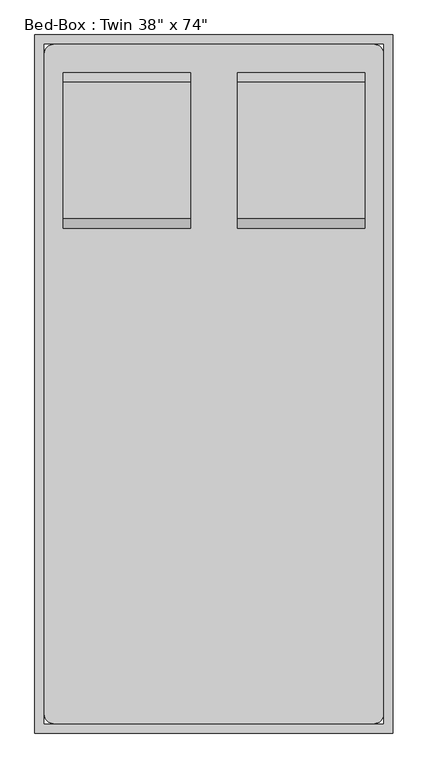
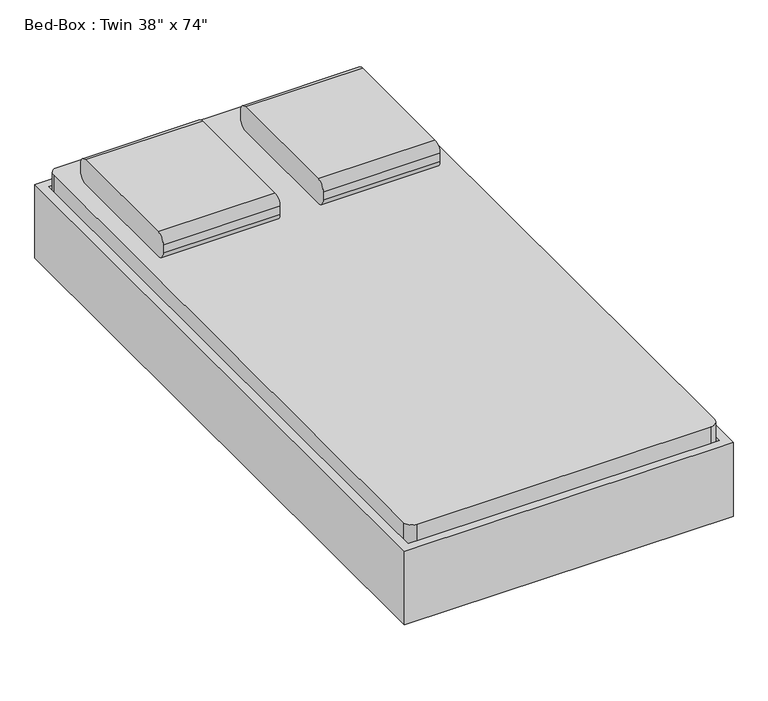
"""IFC4 building model written with IfcOpenShell, lengths in millimetres: furniture geometry."""

from ifc_helpers import new_model, si_unit, point, frame, frame_2d, origin, place, context, project, spatial, polyline, circle_curve, trimmed, segment, composite_curve, outline, extrude, source, transform, mapped, element, save
from ifc_brep_helpers import plane_surface, cylinder_surface, revolved_surface, advanced_brep


def furniture_1763c662(model_context):
    return source(origin(), model_context, "Body", "SolidModel", [
        extrude(outline(composite_curve([segment(polyline([(578.3704918, 406.4), (210.0704918, 406.4)]), True, "CONTINUOUS"), segment(trimmed(circle_curve(frame_2d((210.0704918, 431.8)), 25.4), [point((210.0704918, 406.4))], [point((184.6704918, 431.8))], False, "CARTESIAN"), True, "CONTINUOUS"), segment(polyline([(184.6704918, 431.8), (184.6704918, 457.2)]), True, "CONTINUOUS"), segment(trimmed(circle_curve(frame_2d((210.0704918, 457.2)), 25.4), [point((184.6704918, 457.2))], [point((210.0704918, 482.6))], False, "CARTESIAN"), True, "CONTINUOUS"), segment(polyline([(210.0704918, 482.6), (578.3704918, 482.6)]), True, "CONTINUOUS"), segment(trimmed(circle_curve(frame_2d((578.3704918, 457.2)), 25.4), [point((578.3704918, 482.6))], [point((603.7704918, 457.2))], False, "CARTESIAN"), True, "CONTINUOUS"), segment(polyline([(603.7704918, 457.2), (603.7704918, 431.8)]), True, "CONTINUOUS"), segment(trimmed(circle_curve(frame_2d((578.3704918, 431.8)), 25.4), [point((603.7704918, 431.8))], [point((578.3704918, 406.4))], False, "CARTESIAN"), True, "CONTINUOUS")], self_intersect=False)), frame((402.652459, 0.0, 0.0), z_axis=(1.0, 0.0, 0.0), x_axis=(0.0, 1.0, 0.0)), (0.0, 0.0, 1.0), 342.9),
        extrude(outline(composite_curve([segment(polyline([(578.3704918, 406.4), (210.0704918, 406.4)]), True, "CONTINUOUS"), segment(trimmed(circle_curve(frame_2d((210.0704918, 431.8)), 25.4), [point((210.0704918, 406.4))], [point((184.6704918, 431.8))], False, "CARTESIAN"), True, "CONTINUOUS"), segment(polyline([(184.6704918, 431.8), (184.6704918, 457.2)]), True, "CONTINUOUS"), segment(trimmed(circle_curve(frame_2d((210.0704918, 457.2)), 25.4), [point((184.6704918, 457.2))], [point((210.0704918, 482.6))], False, "CARTESIAN"), True, "CONTINUOUS"), segment(polyline([(210.0704918, 482.6), (578.3704918, 482.6)]), True, "CONTINUOUS"), segment(trimmed(circle_curve(frame_2d((578.3704918, 457.2)), 25.4), [point((578.3704918, 482.6))], [point((603.7704918, 457.2))], False, "CARTESIAN"), True, "CONTINUOUS"), segment(polyline([(603.7704918, 457.2), (603.7704918, 431.8)]), True, "CONTINUOUS"), segment(trimmed(circle_curve(frame_2d((578.3704918, 431.8)), 25.4), [point((603.7704918, 431.8))], [point((578.3704918, 406.4))], False, "CARTESIAN"), True, "CONTINUOUS")], self_intersect=False)), frame((-67.247541, 0.0, 0.0), z_axis=(1.0, 0.0, 0.0), x_axis=(0.0, 1.0, 0.0)), (0.0, 0.0, 1.0), 342.9),
        advanced_brep(
        [(-117.7231784, 451.3704918, 177.8), (-117.7231784, 375.1704918, 177.8), (-117.7231784, 375.1704918, 196.85), (-117.7231784, 451.3704918, 196.85), (-66.9231784, 451.3704918, 177.8), (-66.9231784, 375.1704918, 177.8), (-54.7869899, 375.1704918, 196.85), (-54.7869899, 451.3704918, 196.85), (9.1476901, 451.3704918, 14.6654962), (9.1476901, 375.1704918, 14.6654962), (26.4128534, 375.1704918, 22.716374), (26.4128534, 451.3704918, 22.716374), (32.1679079, 375.1704918, 0.0), (32.1679079, 451.3704918, 0.0), (32.1679079, 375.1704918, 19.05), (32.1679079, 451.3704918, 19.05), (110.7804138, 451.3704918, 0.0), (110.7804138, 375.1704918, 0.0), (110.7804138, 375.1704918, 19.05), (110.7804138, 451.3704918, 19.05), (123.4804138, 375.1704918, 3.4029547), (123.4804138, 451.3704918, 3.4029547), (113.9554138, 375.1704918, 19.9007387), (113.9554138, 451.3704918, 19.9007387), (183.577459, 451.3704918, 38.1), (183.577459, 375.1704918, 38.1), (178.4730269, 375.1704918, 57.15), (178.4730269, 451.3704918, 57.15), (495.0518216, 451.3704918, 38.1), (495.0518216, 375.1704918, 38.1), (500.1562537, 375.1704918, 57.15), (500.1562537, 451.3704918, 57.15), (555.1488669, 451.3704918, 3.4029547), (555.1488669, 375.1704918, 3.4029547), (564.6738669, 375.1704918, 19.9007387), (564.6738669, 451.3704918, 19.9007387), (567.8488669, 375.1704918, 0.0), (567.8488669, 451.3704918, 0.0), (567.8488669, 375.1704918, 19.05), (567.8488669, 451.3704918, 19.05), (646.4613728, 451.3704918, 0.0), (646.4613728, 375.1704918, 0.0), (646.4613728, 375.1704918, 19.05), (646.4613728, 451.3704918, 19.05), (669.4815906, 375.1704918, 14.6654962), (669.4815906, 451.3704918, 14.6654962), (652.2164272, 375.1704918, 22.716374), (652.2164272, 451.3704918, 22.716374), (745.552459, 451.3704918, 177.8), (745.552459, 375.1704918, 177.8), (733.4162705, 375.1704918, 196.85), (733.4162705, 451.3704918, 196.85), (796.352459, 451.3704918, 177.8), (796.352459, 451.3704918, 196.85), (796.352459, 375.1704918, 196.85), (796.352459, 375.1704918, 177.8)],
        [
            (0, 1),
            (1, 2),
            (2, 3),
            (3, 0),
            (0, 4),
            (4, 5),
            (5, 1),
            (5, 6),
            (6, 2),
            (6, 7),
            (7, 3),
            (7, 4),
            (4, 8),
            (8, 9),
            (9, 5),
            (9, 10),
            (10, 6),
            (10, 11),
            (11, 7),
            (11, 8),
            (12, 9, circle_curve(frame((32.1679079, 375.1704918, 25.4), z_axis=(0.0, 1.0, 0.0), x_axis=(-0.9063077870366486, 0.0, -0.42261826174070233)), 25.4)),
            (8, 13, circle_curve(frame((32.1679079, 451.3704918, 25.4), z_axis=(0.0, -1.0, 0.0), x_axis=(-0.9063077870366486, 0.0, -0.42261826174070233)), 25.4)),
            (13, 12),
            (14, 10, circle_curve(frame((32.1679079, 375.1704918, 25.4), z_axis=(0.0, 1.0, 0.0), x_axis=(-0.9063077870366486, 0.0, -0.42261826174070233)), 6.35)),
            (12, 14),
            (15, 11, circle_curve(frame((32.1679079, 451.3704918, 25.4), z_axis=(0.0, 1.0, 0.0), x_axis=(-0.9063077870366486, 0.0, -0.42261826174070233)), 6.35)),
            (14, 15),
            (15, 13),
            (13, 16),
            (16, 17),
            (17, 12),
            (17, 18),
            (18, 14),
            (18, 19),
            (19, 15),
            (19, 16),
            (20, 17, circle_curve(frame((110.7804138, 375.1704918, 25.4), z_axis=(0.0, 1.0, 0.0), x_axis=(0.0, 0.0, -1.0)), 25.4)),
            (16, 21, circle_curve(frame((110.7804138, 451.3704918, 25.4), z_axis=(0.0, -1.0, 0.0), x_axis=(0.0, 0.0, -1.0)), 25.4)),
            (21, 20),
            (22, 18, circle_curve(frame((110.7804138, 375.1704918, 25.4), z_axis=(0.0, 1.0, 0.0), x_axis=(0.0, 0.0, -1.0)), 6.35)),
            (20, 22),
            (23, 19, circle_curve(frame((110.7804138, 451.3704918, 25.4), z_axis=(0.0, 1.0, 0.0), x_axis=(0.0, 0.0, -1.0)), 6.35)),
            (22, 23),
            (23, 21),
            (21, 24),
            (24, 25),
            (25, 20),
            (25, 26),
            (26, 22),
            (26, 27),
            (27, 23),
            (27, 24),
            (24, 28),
            (28, 29),
            (29, 25),
            (29, 30),
            (30, 26),
            (30, 31),
            (31, 27),
            (31, 28),
            (28, 32),
            (32, 33),
            (33, 29),
            (33, 34),
            (34, 30),
            (34, 35),
            (35, 31),
            (35, 32),
            (36, 33, circle_curve(frame((567.8488669, 375.1704918, 25.4), z_axis=(0.0, 1.0, 0.0), x_axis=(-0.5000000000000463, 0.0, -0.8660254037844118)), 25.4)),
            (32, 37, circle_curve(frame((567.8488669, 451.3704918, 25.4), z_axis=(0.0, -1.0, 0.0), x_axis=(-0.5000000000000463, 0.0, -0.8660254037844118)), 25.4)),
            (37, 36),
            (38, 34, circle_curve(frame((567.8488669, 375.1704918, 25.4), z_axis=(0.0, 1.0, 0.0), x_axis=(-0.5000000000000463, 0.0, -0.8660254037844118)), 6.35)),
            (36, 38),
            (39, 35, circle_curve(frame((567.8488669, 451.3704918, 25.4), z_axis=(0.0, 1.0, 0.0), x_axis=(-0.5000000000000463, 0.0, -0.8660254037844118)), 6.35)),
            (38, 39),
            (39, 37),
            (37, 40),
            (40, 41),
            (41, 36),
            (41, 42),
            (42, 38),
            (42, 43),
            (43, 39),
            (43, 40),
            (44, 41, circle_curve(frame((646.4613728, 375.1704918, 25.4), z_axis=(0.0, 1.0, 0.0), x_axis=(0.0, 0.0, -1.0)), 25.4)),
            (40, 45, circle_curve(frame((646.4613728, 451.3704918, 25.4), z_axis=(0.0, -1.0, 0.0), x_axis=(0.0, 0.0, -1.0)), 25.4)),
            (45, 44),
            (46, 42, circle_curve(frame((646.4613728, 375.1704918, 25.4), z_axis=(0.0, 1.0, 0.0), x_axis=(0.0, 0.0, -1.0)), 6.35)),
            (44, 46),
            (47, 43, circle_curve(frame((646.4613728, 451.3704918, 25.4), z_axis=(0.0, 1.0, 0.0), x_axis=(0.0, 0.0, -1.0)), 6.35)),
            (46, 47),
            (47, 45),
            (45, 48),
            (48, 49),
            (49, 44),
            (49, 50),
            (50, 46),
            (50, 51),
            (51, 47),
            (51, 48),
            (52, 53),
            (53, 54),
            (54, 55),
            (55, 52),
            (48, 52),
            (55, 49),
            (54, 50),
            (53, 51),
        ],
        [
            plane_surface(frame((-117.7231784, 705.3704918, -152.9490627), z_axis=(-1.0, 0.0, 0.0), x_axis=(0.0, 1.0, 0.0))),
            plane_surface(frame((-117.7231784, 451.3704918, 177.8), z_axis=(0.0, 0.0, -1.0), x_axis=(1.0, 0.0, 0.0))),
            plane_surface(frame((-117.7231784, 375.1704918, 177.8), z_axis=(0.0, -1.0, 0.0), x_axis=(1.0, 0.0, 0.0))),
            plane_surface(frame((-117.7231784, 375.1704918, 196.85), z_axis=(0.0, 0.0, 1.0), x_axis=(1.0, 0.0, 0.0))),
            plane_surface(frame((-117.7231784, 451.3704918, 196.85), z_axis=(0.0, 1.0, 0.0), x_axis=(1.0, 0.0, 0.0))),
            plane_surface(frame((-66.9231784, 451.3704918, 177.8), z_axis=(-0.9063077870366484, 0.0, -0.4226182617407028), x_axis=(0.4226182617407028, 0.0, -0.9063077870366484))),
            plane_surface(frame((-66.9231784, 375.1704918, 177.8), z_axis=(0.0, -1.0, 0.0), x_axis=(0.4226182617407025, 0.0, -0.9063077870366486))),
            plane_surface(frame((-54.7869899, 375.1704918, 196.85), z_axis=(0.9063077870366486, 0.0, 0.42261826174070244), x_axis=(0.42261826174070244, 0.0, -0.9063077870366486))),
            plane_surface(frame((-54.7869899, 451.3704918, 196.85), z_axis=(0.0, 1.0, 0.0), x_axis=(0.4226182617407027, 0.0, -0.9063077870366485))),
            cylinder_surface(frame((32.1679079, 705.3704918, 25.4), z_axis=(0.0, -1.0, 0.0), x_axis=(-0.9063077870366486, 0.0, -0.42261826174070233)), 25.4),
            plane_surface(frame((32.1679079, 375.1704918, 25.4), z_axis=(0.0, -1.0, 0.0), x_axis=(-0.9063077870366486, 0.0, -0.42261826174070233))),
            revolved_surface(polyline([(26.412853452317286, 375.1704918, 22.71637403794654), (26.412853452317286, 451.3704918, 22.71637403794654)]), (32.1679079, 705.3704918, 25.4), (0.0, -1.0, 0.0)),
            plane_surface(frame((32.1679079, 451.3704918, 25.4), z_axis=(0.0, 1.0, 0.0), x_axis=(-0.9063077870366486, 0.0, -0.42261826174070233))),
            plane_surface(frame((32.1679079, 451.3704918, 0.0), z_axis=(0.0, 0.0, -1.0), x_axis=(1.0, 0.0, 0.0))),
            plane_surface(frame((32.1679079, 375.1704918, 0.0), z_axis=(0.0, -1.0, 0.0), x_axis=(1.0, 0.0, 0.0))),
            plane_surface(frame((32.1679079, 375.1704918, 19.05), z_axis=(0.0, 0.0, 1.0), x_axis=(1.0, 0.0, 0.0))),
            plane_surface(frame((32.1679079, 451.3704918, 19.05), z_axis=(0.0, 1.0, 0.0), x_axis=(1.0, 0.0, 0.0))),
            cylinder_surface(frame((110.7804138, 705.3704918, 25.4), z_axis=(0.0, -1.0, 0.0), x_axis=(0.0, 0.0, -1.0)), 25.4),
            plane_surface(frame((110.7804138, 375.1704918, 25.4), z_axis=(0.0, -1.0, 0.0), x_axis=(0.0, 0.0, -1.0))),
            revolved_surface(polyline([(110.7804138, 375.1704918, 19.049999999999997), (110.7804138, 451.3704918, 19.049999999999997)]), (110.7804138, 705.3704918, 25.4), (0.0, -1.0, 0.0)),
            plane_surface(frame((110.7804138, 451.3704918, 25.4), z_axis=(0.0, 1.0, 0.0), x_axis=(0.0, 0.0, -1.0))),
            plane_surface(frame((123.4804138, 451.3704918, 3.4029547), z_axis=(0.499999999999877, 0.0, -0.8660254037845097), x_axis=(0.8660254037845097, 0.0, 0.499999999999877))),
            plane_surface(frame((123.4804138, 375.1704918, 3.4029547), z_axis=(0.0, -1.0, 0.0), x_axis=(0.8660254037845091, 0.0, 0.49999999999987804))),
            plane_surface(frame((113.9554138, 375.1704918, 19.9007387), z_axis=(-0.49999999999987765, 0.0, 0.8660254037845093), x_axis=(0.8660254037845093, 0.0, 0.49999999999987765))),
            plane_surface(frame((113.9554138, 451.3704918, 19.9007387), z_axis=(0.0, 1.0, 0.0), x_axis=(0.8660254037845094, 0.0, 0.49999999999987754))),
            plane_surface(frame((183.577459, 451.3704918, 38.1), z_axis=(0.0, 0.0, -1.0), x_axis=(1.0, 0.0, 0.0))),
            plane_surface(frame((183.577459, 375.1704918, 38.1), z_axis=(0.0, -1.0, 0.0), x_axis=(1.0, 0.0, 0.0))),
            plane_surface(frame((178.4730269, 375.1704918, 57.15), z_axis=(0.0, 0.0, 1.0), x_axis=(1.0, 0.0, 0.0))),
            plane_surface(frame((178.4730269, 451.3704918, 57.15), z_axis=(0.0, 1.0, 0.0), x_axis=(1.0, 0.0, 0.0))),
            plane_surface(frame((495.0518216, 451.3704918, 38.1), z_axis=(-0.5000000000000453, 0.0, -0.8660254037844125), x_axis=(0.8660254037844125, 0.0, -0.5000000000000453))),
            plane_surface(frame((495.0518216, 375.1704918, 38.1), z_axis=(0.0, -1.0000000000000002, 0.0), x_axis=(0.8660254037844123, 0.0, -0.5000000000000459))),
            plane_surface(frame((500.1562537, 375.1704918, 57.15), z_axis=(0.5000000000000461, 0.0, 0.8660254037844121), x_axis=(0.8660254037844121, 0.0, -0.5000000000000461))),
            plane_surface(frame((500.1562537, 451.3704918, 57.15), z_axis=(0.0, 1.0, 0.0), x_axis=(0.8660254037844124, 0.0, -0.5000000000000456))),
            cylinder_surface(frame((567.8488669, 705.3704918, 25.4), z_axis=(0.0, -1.0, 0.0), x_axis=(-0.5000000000000463, 0.0, -0.8660254037844118)), 25.4),
            plane_surface(frame((567.8488669, 375.1704918, 25.4), z_axis=(0.0, -1.0000000000000002, 0.0), x_axis=(-0.5000000000000464, 0.0, -0.866025403784412))),
            revolved_surface(polyline([(564.6738668999997, 375.1704918, 19.90073868596898), (564.6738668999997, 451.3704918, 19.90073868596898)]), (567.8488669, 705.3704918, 25.4), (0.0, -1.0, 0.0)),
            plane_surface(frame((567.8488669, 451.3704918, 25.4), z_axis=(0.0, 1.0000000000000002, 0.0), x_axis=(-0.5000000000000464, 0.0, -0.866025403784412))),
            plane_surface(frame((567.8488669, 451.3704918, 0.0), z_axis=(0.0, 0.0, -1.0), x_axis=(1.0, 0.0, 0.0))),
            plane_surface(frame((567.8488669, 375.1704918, 0.0), z_axis=(0.0, -1.0, 0.0), x_axis=(1.0, 0.0, 0.0))),
            plane_surface(frame((567.8488669, 375.1704918, 19.05), z_axis=(0.0, 0.0, 1.0), x_axis=(1.0, 0.0, 0.0))),
            plane_surface(frame((567.8488669, 451.3704918, 19.05), z_axis=(0.0, 1.0, 0.0), x_axis=(1.0, 0.0, 0.0))),
            cylinder_surface(frame((646.4613728, 705.3704918, 25.4), z_axis=(0.0, -1.0, 0.0), x_axis=(0.0, 0.0, -1.0)), 25.4),
            plane_surface(frame((646.4613728, 375.1704918, 25.4), z_axis=(0.0, -1.0, 0.0), x_axis=(0.0, 0.0, -1.0))),
            revolved_surface(polyline([(646.4613728, 375.1704918, 19.049999999999997), (646.4613728, 451.3704918, 19.049999999999997)]), (646.4613728, 705.3704918, 25.4), (0.0, -1.0, 0.0)),
            plane_surface(frame((646.4613728, 451.3704918, 25.4), z_axis=(0.0, 1.0, 0.0), x_axis=(0.0, 0.0, -1.0))),
            plane_surface(frame((669.4815906, 451.3704918, 14.6654962), z_axis=(0.9063077870366798, 0.0, -0.42261826174063544), x_axis=(0.42261826174063544, 0.0, 0.9063077870366798))),
            plane_surface(frame((669.4815906, 375.1704918, 14.6654962), z_axis=(0.0, -1.0, 0.0), x_axis=(0.4226182617406352, 0.0, 0.9063077870366799))),
            plane_surface(frame((652.2164272, 375.1704918, 22.716374), z_axis=(-0.9063077870366797, 0.0, 0.4226182617406357), x_axis=(0.4226182617406357, 0.0, 0.9063077870366797))),
            plane_surface(frame((652.2164272, 451.3704918, 22.716374), z_axis=(0.0, 1.0, 0.0), x_axis=(0.42261826174063644, 0.0, 0.9063077870366794))),
            plane_surface(frame((796.352459, 705.3704918, -152.9490627), z_axis=(1.0, 0.0, 0.0), x_axis=(0.0, 1.0, 0.0))),
            plane_surface(frame((745.552459, 451.3704918, 177.8), z_axis=(0.0, 0.0, -1.0), x_axis=(1.0, 0.0, 0.0))),
            plane_surface(frame((745.552459, 375.1704918, 177.8), z_axis=(0.0, -1.0, 0.0), x_axis=(1.0, 0.0, 0.0))),
            plane_surface(frame((733.4162705, 375.1704918, 196.85), z_axis=(0.0, 0.0, 1.0), x_axis=(1.0, 0.0, 0.0))),
            plane_surface(frame((733.4162705, 451.3704918, 196.85), z_axis=(0.0, 1.0, 0.0), x_axis=(1.0, 0.0, 0.0))),
        ],
        [
            (0, [[1, 2, 3, 4]]),
            (1, [[-1, 5, 6, 7]]),
            (2, [[-2, -7, 8, 9]]),
            (3, [[-3, -9, 10, 11]]),
            (4, [[-4, -11, 12, -5]]),
            (5, [[-6, 13, 14, 15]]),
            (6, [[-8, -15, 16, 17]]),
            (7, [[-10, -17, 18, 19]]),
            (8, [[-12, -19, 20, -13]]),
            (9, [[21, -14, 22, 23]]),
            (10, [[24, -16, -21, 25]]),
            (11, [[26, -18, -24, 27]]),
            (12, [[-22, -20, -26, 28]]),
            (13, [[-23, 29, 30, 31]]),
            (14, [[-25, -31, 32, 33]]),
            (15, [[-27, -33, 34, 35]]),
            (16, [[-28, -35, 36, -29]]),
            (17, [[37, -30, 38, 39]]),
            (18, [[40, -32, -37, 41]]),
            (19, [[42, -34, -40, 43]]),
            (20, [[-38, -36, -42, 44]]),
            (21, [[-39, 45, 46, 47]]),
            (22, [[-41, -47, 48, 49]]),
            (23, [[-43, -49, 50, 51]]),
            (24, [[-44, -51, 52, -45]]),
            (25, [[-46, 53, 54, 55]]),
            (26, [[-48, -55, 56, 57]]),
            (27, [[-50, -57, 58, 59]]),
            (28, [[-52, -59, 60, -53]]),
            (29, [[-54, 61, 62, 63]]),
            (30, [[-56, -63, 64, 65]]),
            (31, [[-58, -65, 66, 67]]),
            (32, [[-60, -67, 68, -61]]),
            (33, [[69, -62, 70, 71]]),
            (34, [[72, -64, -69, 73]]),
            (35, [[74, -66, -72, 75]]),
            (36, [[-70, -68, -74, 76]]),
            (37, [[-71, 77, 78, 79]]),
            (38, [[-73, -79, 80, 81]]),
            (39, [[-75, -81, 82, 83]]),
            (40, [[-76, -83, 84, -77]]),
            (41, [[85, -78, 86, 87]]),
            (42, [[88, -80, -85, 89]]),
            (43, [[90, -82, -88, 91]]),
            (44, [[-86, -84, -90, 92]]),
            (45, [[-87, 93, 94, 95]]),
            (46, [[-89, -95, 96, 97]]),
            (47, [[-91, -97, 98, 99]]),
            (48, [[-92, -99, 100, -93]]),
            (49, [[101, 102, 103, 104]]),
            (50, [[-94, 105, -104, 106]]),
            (51, [[-96, -106, -103, 107]]),
            (52, [[-98, -107, -102, 108]]),
            (53, [[-100, -108, -101, -105]]),
        ],
    ),
        extrude(outline(composite_curve([segment(polyline([(-92.647541, 679.9704918), (770.952459, 679.9704918)]), True, "CONTINUOUS"), segment(trimmed(circle_curve(frame_2d((770.952459, 654.5704918)), 25.4), [point((770.952459, 679.9704918))], [point((796.352459, 654.5704918))], False, "CARTESIAN"), True, "CONTINUOUS"), segment(polyline([(796.352459, 654.5704918), (796.352459, -1123.4295082)]), True, "CONTINUOUS"), segment(trimmed(circle_curve(frame_2d((770.952459, -1123.4295082)), 25.4), [point((796.352459, -1123.4295082))], [point((770.952459, -1148.8295082))], False, "CARTESIAN"), True, "CONTINUOUS"), segment(polyline([(770.952459, -1148.8295082), (-92.647541, -1148.8295082)]), True, "CONTINUOUS"), segment(trimmed(circle_curve(frame_2d((-92.647541, -1123.4295082)), 25.4), [point((-92.647541, -1148.8295082))], [point((-118.047541, -1123.4295082))], False, "CARTESIAN"), True, "CONTINUOUS"), segment(polyline([(-118.047541, -1123.4295082), (-118.047541, 654.5704918)]), True, "CONTINUOUS"), segment(trimmed(circle_curve(frame_2d((-92.647541, 654.5704918)), 25.4), [point((-118.047541, 654.5704918))], [point((-92.647541, 679.9704918))], False, "CARTESIAN"), True, "CONTINUOUS")], self_intersect=False)), frame((0.0, 0.0, 203.2), z_axis=(0.0, 0.0, 1.0), x_axis=(1.0, 0.0, 0.0)), (0.0, 0.0, 1.0), 203.2),
        advanced_brep(
        [(-118.047541, -869.4295082, 196.85), (-118.047541, -869.4295082, 177.8), (-118.047541, -945.6295082, 177.8), (-118.047541, -945.6295082, 196.85), (-55.1113525, -869.4295082, 196.85), (-67.247541, -869.4295082, 177.8), (-67.247541, -945.6295082, 177.8), (-55.1113525, -945.6295082, 196.85), (26.0884908, -869.4295082, 22.716374), (8.8233275, -869.4295082, 14.6654962), (8.8233275, -945.6295082, 14.6654962), (26.0884908, -945.6295082, 22.716374), (31.8435453, -869.4295082, 0.0), (31.8435453, -869.4295082, 19.05), (31.8435453, -945.6295082, 0.0), (31.8435453, -945.6295082, 19.05), (110.4560511, -869.4295082, 19.05), (110.4560511, -869.4295082, 0.0), (110.4560511, -945.6295082, 0.0), (110.4560511, -945.6295082, 19.05), (123.1560511, -869.4295082, 3.4029547), (113.6310511, -869.4295082, 19.9007387), (123.1560511, -945.6295082, 3.4029547), (113.6310511, -945.6295082, 19.9007387), (178.1486643, -869.4295082, 57.15), (183.2530964, -869.4295082, 38.1), (183.2530964, -945.6295082, 38.1), (178.1486643, -945.6295082, 57.15), (500.1562537, -869.4295082, 57.15), (495.0518216, -869.4295082, 38.1), (495.0518216, -945.6295082, 38.1), (500.1562537, -945.6295082, 57.15), (564.6738669, -869.4295082, 19.9007387), (555.1488669, -869.4295082, 3.4029547), (555.1488669, -945.6295082, 3.4029547), (564.6738669, -945.6295082, 19.9007387), (567.8488669, -869.4295082, 0.0), (567.8488669, -869.4295082, 19.05), (567.8488669, -945.6295082, 0.0), (567.8488669, -945.6295082, 19.05), (646.4613728, -869.4295082, 19.05), (646.4613728, -869.4295082, 0.0), (646.4613728, -945.6295082, 0.0), (646.4613728, -945.6295082, 19.05), (669.4815906, -869.4295082, 14.6654962), (652.2164272, -869.4295082, 22.716374), (669.4815906, -945.6295082, 14.6654962), (652.2164272, -945.6295082, 22.716374), (733.4162705, -869.4295082, 196.85), (745.552459, -869.4295082, 177.8), (745.552459, -945.6295082, 177.8), (733.4162705, -945.6295082, 196.85), (796.352459, -869.4295082, 196.85), (796.352459, -945.6295082, 196.85), (796.352459, -945.6295082, 177.8), (796.352459, -869.4295082, 177.8)],
        [
            (0, 1),
            (1, 2),
            (2, 3),
            (3, 0),
            (0, 4),
            (4, 5),
            (5, 1),
            (5, 6),
            (6, 2),
            (6, 7),
            (7, 3),
            (7, 4),
            (4, 8),
            (8, 9),
            (9, 5),
            (9, 10),
            (10, 6),
            (10, 11),
            (11, 7),
            (11, 8),
            (12, 9, circle_curve(frame((31.8435453, -869.4295082, 25.4), z_axis=(0.0, 1.0, 0.0), x_axis=(-0.906307787036663, 0.0, -0.4226182617406713)), 25.4)),
            (8, 13, circle_curve(frame((31.8435453, -869.4295082, 25.4), z_axis=(0.0, -1.0, 0.0), x_axis=(-0.906307787036663, 0.0, -0.4226182617406713)), 6.35)),
            (13, 12),
            (14, 10, circle_curve(frame((31.8435453, -945.6295082, 25.4), z_axis=(0.0, 1.0, 0.0), x_axis=(-0.906307787036663, 0.0, -0.4226182617406713)), 25.4)),
            (12, 14),
            (15, 11, circle_curve(frame((31.8435453, -945.6295082, 25.4), z_axis=(0.0, 1.0, 0.0), x_axis=(-0.906307787036663, 0.0, -0.4226182617406713)), 6.35)),
            (14, 15),
            (15, 13),
            (13, 16),
            (16, 17),
            (17, 12),
            (17, 18),
            (18, 14),
            (18, 19),
            (19, 15),
            (19, 16),
            (20, 17, circle_curve(frame((110.4560511, -869.4295082, 25.4), z_axis=(0.0, 1.0, 0.0), x_axis=(0.0, 0.0, -1.0)), 25.4)),
            (16, 21, circle_curve(frame((110.4560511, -869.4295082, 25.4), z_axis=(0.0, -1.0, 0.0), x_axis=(0.0, 0.0, -1.0)), 6.35)),
            (21, 20),
            (22, 18, circle_curve(frame((110.4560511, -945.6295082, 25.4), z_axis=(0.0, 1.0, 0.0), x_axis=(0.0, 0.0, -1.0)), 25.4)),
            (20, 22),
            (23, 19, circle_curve(frame((110.4560511, -945.6295082, 25.4), z_axis=(0.0, 1.0, 0.0), x_axis=(0.0, 0.0, -1.0)), 6.35)),
            (22, 23),
            (23, 21),
            (21, 24),
            (24, 25),
            (25, 20),
            (25, 26),
            (26, 22),
            (26, 27),
            (27, 23),
            (27, 24),
            (24, 28),
            (28, 29),
            (29, 25),
            (29, 30),
            (30, 26),
            (30, 31),
            (31, 27),
            (31, 28),
            (28, 32),
            (32, 33),
            (33, 29),
            (33, 34),
            (34, 30),
            (34, 35),
            (35, 31),
            (35, 32),
            (36, 33, circle_curve(frame((567.8488669, -869.4295082, 25.4), z_axis=(0.0, 1.0, 0.0), x_axis=(-0.5000000000000479, 0.0, -0.866025403784411)), 25.4)),
            (32, 37, circle_curve(frame((567.8488669, -869.4295082, 25.4), z_axis=(0.0, -1.0, 0.0), x_axis=(-0.5000000000000479, 0.0, -0.866025403784411)), 6.35)),
            (37, 36),
            (38, 34, circle_curve(frame((567.8488669, -945.6295082, 25.4), z_axis=(0.0, 1.0, 0.0), x_axis=(-0.5000000000000479, 0.0, -0.866025403784411)), 25.4)),
            (36, 38),
            (39, 35, circle_curve(frame((567.8488669, -945.6295082, 25.4), z_axis=(0.0, 1.0, 0.0), x_axis=(-0.5000000000000479, 0.0, -0.866025403784411)), 6.35)),
            (38, 39),
            (39, 37),
            (37, 40),
            (40, 41),
            (41, 36),
            (41, 42),
            (42, 38),
            (42, 43),
            (43, 39),
            (43, 40),
            (44, 41, circle_curve(frame((646.4613728, -869.4295082, 25.4), z_axis=(0.0, 1.0, 0.0), x_axis=(0.0, 0.0, -1.0)), 25.4)),
            (40, 45, circle_curve(frame((646.4613728, -869.4295082, 25.4), z_axis=(0.0, -1.0, 0.0), x_axis=(0.0, 0.0, -1.0)), 6.35)),
            (45, 44),
            (46, 42, circle_curve(frame((646.4613728, -945.6295082, 25.4), z_axis=(0.0, 1.0, 0.0), x_axis=(0.0, 0.0, -1.0)), 25.4)),
            (44, 46),
            (47, 43, circle_curve(frame((646.4613728, -945.6295082, 25.4), z_axis=(0.0, 1.0, 0.0), x_axis=(0.0, 0.0, -1.0)), 6.35)),
            (46, 47),
            (47, 45),
            (45, 48),
            (48, 49),
            (49, 44),
            (49, 50),
            (50, 46),
            (50, 51),
            (51, 47),
            (51, 48),
            (52, 53),
            (53, 54),
            (54, 55),
            (55, 52),
            (48, 52),
            (55, 49),
            (54, 50),
            (53, 51),
        ],
        [
            plane_surface(frame((-118.047541, -1174.2295082, -127.5947323), z_axis=(-1.0, 0.0, 0.0), x_axis=(0.0, 1.0, 0.0))),
            plane_surface(frame((-118.047541, -869.4295082, 196.85), z_axis=(0.0, 1.0, 0.0), x_axis=(1.0, 0.0, 0.0))),
            plane_surface(frame((-118.047541, -869.4295082, 177.8), z_axis=(0.0, 0.0, -1.0), x_axis=(1.0, 0.0, 0.0))),
            plane_surface(frame((-118.047541, -945.6295082, 177.8), z_axis=(0.0, -1.0, 0.0), x_axis=(1.0, 0.0, 0.0))),
            plane_surface(frame((-118.047541, -945.6295082, 196.85), z_axis=(0.0, 0.0, 1.0), x_axis=(1.0, 0.0, 0.0))),
            plane_surface(frame((-55.1113525, -869.4295082, 196.85), z_axis=(0.0, 1.0, 0.0), x_axis=(0.4226182617406712, 0.0, -0.9063077870366631))),
            plane_surface(frame((-67.247541, -869.4295082, 177.8), z_axis=(-0.906307787036663, 0.0, -0.4226182617406713), x_axis=(0.4226182617406713, 0.0, -0.906307787036663))),
            plane_surface(frame((-67.247541, -945.6295082, 177.8), z_axis=(0.0, -1.0, 0.0), x_axis=(0.42261826174067113, 0.0, -0.9063077870366631))),
            plane_surface(frame((-55.1113525, -945.6295082, 196.85), z_axis=(0.9063077870366633, 0.0, 0.4226182617406712), x_axis=(0.4226182617406712, 0.0, -0.9063077870366633))),
            plane_surface(frame((31.8435453, -869.4295082, 25.4), z_axis=(0.0, 1.0, 0.0), x_axis=(-0.906307787036663, 0.0, -0.4226182617406713))),
            cylinder_surface(frame((31.8435453, -1174.2295082, 25.4), z_axis=(0.0, -1.0, 0.0), x_axis=(-0.906307787036663, 0.0, -0.4226182617406713)), 25.4),
            plane_surface(frame((31.8435453, -945.6295082, 25.4), z_axis=(0.0, -1.0, 0.0), x_axis=(-0.906307787036663, 0.0, -0.4226182617406713))),
            revolved_surface(polyline([(26.08849085231719, -945.6295082, 22.716374037946736), (26.08849085231719, -869.4295082, 22.716374037946736)]), (31.8435453, -1174.2295082, 25.4), (0.0, -1.0, 0.0)),
            plane_surface(frame((31.8435453, -869.4295082, 19.05), z_axis=(0.0, 1.0, 0.0), x_axis=(1.0, 0.0, 0.0))),
            plane_surface(frame((31.8435453, -869.4295082, 0.0), z_axis=(0.0, 0.0, -1.0), x_axis=(1.0, 0.0, 0.0))),
            plane_surface(frame((31.8435453, -945.6295082, 0.0), z_axis=(0.0, -1.0, 0.0), x_axis=(1.0, 0.0, 0.0))),
            plane_surface(frame((31.8435453, -945.6295082, 19.05), z_axis=(0.0, 0.0, 1.0), x_axis=(1.0, 0.0, 0.0))),
            plane_surface(frame((110.4560511, -869.4295082, 25.4), z_axis=(0.0, 1.0, 0.0), x_axis=(0.0, 0.0, -1.0))),
            cylinder_surface(frame((110.4560511, -1174.2295082, 25.4), z_axis=(0.0, -1.0, 0.0), x_axis=(0.0, 0.0, -1.0)), 25.4),
            plane_surface(frame((110.4560511, -945.6295082, 25.4), z_axis=(0.0, -1.0, 0.0), x_axis=(0.0, 0.0, -1.0))),
            revolved_surface(polyline([(110.4560511, -945.6295082, 19.049999999999997), (110.4560511, -869.4295082, 19.049999999999997)]), (110.4560511, -1174.2295082, 25.4), (0.0, -1.0, 0.0)),
            plane_surface(frame((113.6310511, -869.4295082, 19.9007387), z_axis=(0.0, 1.0, 0.0), x_axis=(0.8660254037844786, 0.0, 0.49999999999993094))),
            plane_surface(frame((123.1560511, -869.4295082, 3.4029547), z_axis=(0.4999999999999306, 0.0, -0.8660254037844788), x_axis=(0.8660254037844788, 0.0, 0.4999999999999306))),
            plane_surface(frame((123.1560511, -945.6295082, 3.4029547), z_axis=(0.0, -1.0, 0.0), x_axis=(0.8660254037844785, 0.0, 0.499999999999931))),
            plane_surface(frame((113.6310511, -945.6295082, 19.9007387), z_axis=(-0.4999999999999308, 0.0, 0.8660254037844787), x_axis=(0.8660254037844787, 0.0, 0.4999999999999308))),
            plane_surface(frame((178.1486643, -869.4295082, 57.15), z_axis=(0.0, 1.0, 0.0), x_axis=(1.0, 0.0, 0.0))),
            plane_surface(frame((183.2530964, -869.4295082, 38.1), z_axis=(0.0, 0.0, -1.0), x_axis=(1.0, 0.0, 0.0))),
            plane_surface(frame((183.2530964, -945.6295082, 38.1), z_axis=(0.0, -1.0, 0.0), x_axis=(1.0, 0.0, 0.0))),
            plane_surface(frame((178.1486643, -945.6295082, 57.15), z_axis=(0.0, 0.0, 1.0), x_axis=(1.0, 0.0, 0.0))),
            plane_surface(frame((500.1562537, -869.4295082, 57.15), z_axis=(0.0, 1.0, 0.0), x_axis=(0.8660254037844096, 0.0, -0.5000000000000504))),
            plane_surface(frame((495.0518216, -869.4295082, 38.1), z_axis=(-0.5000000000000496, 0.0, -0.8660254037844101), x_axis=(0.8660254037844101, 0.0, -0.5000000000000496))),
            plane_surface(frame((495.0518216, -945.6295082, 38.1), z_axis=(0.0, -1.0, 0.0), x_axis=(0.8660254037844101, 0.0, -0.5000000000000496))),
            plane_surface(frame((500.1562537, -945.6295082, 57.15), z_axis=(0.5000000000000504, 0.0, 0.8660254037844096), x_axis=(0.8660254037844096, 0.0, -0.5000000000000504))),
            plane_surface(frame((567.8488669, -869.4295082, 25.4), z_axis=(0.0, 1.0000000000000002, 0.0), x_axis=(-0.500000000000048, 0.0, -0.8660254037844111))),
            cylinder_surface(frame((567.8488669, -1174.2295082, 25.4), z_axis=(0.0, -1.0, 0.0), x_axis=(-0.5000000000000479, 0.0, -0.866025403784411)), 25.4),
            plane_surface(frame((567.8488669, -945.6295082, 25.4), z_axis=(0.0, -1.0000000000000002, 0.0), x_axis=(-0.500000000000048, 0.0, -0.8660254037844111))),
            revolved_surface(polyline([(564.6738668999997, -945.6295082, 19.90073868596899), (564.6738668999997, -869.4295082, 19.90073868596899)]), (567.8488669, -1174.2295082, 25.4), (0.0, -1.0, 0.0)),
            plane_surface(frame((567.8488669, -869.4295082, 19.05), z_axis=(0.0, 1.0, 0.0), x_axis=(1.0, 0.0, 0.0))),
            plane_surface(frame((567.8488669, -869.4295082, 0.0), z_axis=(0.0, 0.0, -1.0), x_axis=(1.0, 0.0, 0.0))),
            plane_surface(frame((567.8488669, -945.6295082, 0.0), z_axis=(0.0, -1.0, 0.0), x_axis=(1.0, 0.0, 0.0))),
            plane_surface(frame((567.8488669, -945.6295082, 19.05), z_axis=(0.0, 0.0, 1.0), x_axis=(1.0, 0.0, 0.0))),
            plane_surface(frame((646.4613728, -869.4295082, 25.4), z_axis=(0.0, 1.0, 0.0), x_axis=(0.0, 0.0, -1.0))),
            cylinder_surface(frame((646.4613728, -1174.2295082, 25.4), z_axis=(0.0, -1.0, 0.0), x_axis=(0.0, 0.0, -1.0)), 25.4),
            plane_surface(frame((646.4613728, -945.6295082, 25.4), z_axis=(0.0, -1.0, 0.0), x_axis=(0.0, 0.0, -1.0))),
            revolved_surface(polyline([(646.4613728, -945.6295082, 19.049999999999997), (646.4613728, -869.4295082, 19.049999999999997)]), (646.4613728, -1174.2295082, 25.4), (0.0, -1.0, 0.0)),
            plane_surface(frame((652.2164272, -869.4295082, 22.716374), z_axis=(0.0, 1.0000000000000002, 0.0), x_axis=(0.42261826174054085, 0.0, 0.906307787036724))),
            plane_surface(frame((669.4815906, -869.4295082, 14.6654962), z_axis=(0.9063077870367235, 0.0, -0.42261826174054185), x_axis=(0.42261826174054185, 0.0, 0.9063077870367235))),
            plane_surface(frame((669.4815906, -945.6295082, 14.6654962), z_axis=(0.0, -1.0, 0.0), x_axis=(0.4226182617405413, 0.0, 0.9063077870367238))),
            plane_surface(frame((652.2164272, -945.6295082, 22.716374), z_axis=(-0.9063077870367239, 0.0, 0.42261826174054107), x_axis=(0.42261826174054107, 0.0, 0.9063077870367239))),
            plane_surface(frame((796.352459, -1174.2295082, -127.5947323), z_axis=(1.0, 0.0, 0.0), x_axis=(0.0, 1.0, 0.0))),
            plane_surface(frame((733.4162705, -869.4295082, 196.85), z_axis=(0.0, 1.0, 0.0), x_axis=(1.0, 0.0, 0.0))),
            plane_surface(frame((745.552459, -869.4295082, 177.8), z_axis=(0.0, 0.0, -1.0), x_axis=(1.0, 0.0, 0.0))),
            plane_surface(frame((745.552459, -945.6295082, 177.8), z_axis=(0.0, -1.0, 0.0), x_axis=(1.0, 0.0, 0.0))),
            plane_surface(frame((733.4162705, -945.6295082, 196.85), z_axis=(0.0, 0.0, 1.0), x_axis=(1.0, 0.0, 0.0))),
        ],
        [
            (0, [[1, 2, 3, 4]]),
            (1, [[-1, 5, 6, 7]]),
            (2, [[-2, -7, 8, 9]]),
            (3, [[-3, -9, 10, 11]]),
            (4, [[-4, -11, 12, -5]]),
            (5, [[-6, 13, 14, 15]]),
            (6, [[-8, -15, 16, 17]]),
            (7, [[-10, -17, 18, 19]]),
            (8, [[-12, -19, 20, -13]]),
            (9, [[21, -14, 22, 23]]),
            (10, [[24, -16, -21, 25]]),
            (11, [[26, -18, -24, 27]]),
            (12, [[-22, -20, -26, 28]]),
            (13, [[-23, 29, 30, 31]]),
            (14, [[-25, -31, 32, 33]]),
            (15, [[-27, -33, 34, 35]]),
            (16, [[-28, -35, 36, -29]]),
            (17, [[37, -30, 38, 39]]),
            (18, [[40, -32, -37, 41]]),
            (19, [[42, -34, -40, 43]]),
            (20, [[-38, -36, -42, 44]]),
            (21, [[-39, 45, 46, 47]]),
            (22, [[-41, -47, 48, 49]]),
            (23, [[-43, -49, 50, 51]]),
            (24, [[-44, -51, 52, -45]]),
            (25, [[-46, 53, 54, 55]]),
            (26, [[-48, -55, 56, 57]]),
            (27, [[-50, -57, 58, 59]]),
            (28, [[-52, -59, 60, -53]]),
            (29, [[-54, 61, 62, 63]]),
            (30, [[-56, -63, 64, 65]]),
            (31, [[-58, -65, 66, 67]]),
            (32, [[-60, -67, 68, -61]]),
            (33, [[69, -62, 70, 71]]),
            (34, [[72, -64, -69, 73]]),
            (35, [[74, -66, -72, 75]]),
            (36, [[-70, -68, -74, 76]]),
            (37, [[-71, 77, 78, 79]]),
            (38, [[-73, -79, 80, 81]]),
            (39, [[-75, -81, 82, 83]]),
            (40, [[-76, -83, 84, -77]]),
            (41, [[85, -78, 86, 87]]),
            (42, [[88, -80, -85, 89]]),
            (43, [[90, -82, -88, 91]]),
            (44, [[-86, -84, -90, 92]]),
            (45, [[-87, 93, 94, 95]]),
            (46, [[-89, -95, 96, 97]]),
            (47, [[-91, -97, 98, 99]]),
            (48, [[-92, -99, 100, -93]]),
            (49, [[101, 102, 103, 104]]),
            (50, [[-94, 105, -104, 106]]),
            (51, [[-96, -106, -103, 107]]),
            (52, [[-98, -107, -102, 108]]),
            (53, [[-100, -108, -101, -105]]),
        ],
    ),
        extrude(outline(polyline([(821.752459, 705.3704918), (821.752459, -1174.2295082), (-143.447541, -1174.2295082), (-143.447541, 705.3704918), (821.752459, 705.3704918)]), holes=[polyline([(796.352459, 679.9704918), (-118.047541, 679.9704918), (-118.047541, -1148.8295082), (796.352459, -1148.8295082), (796.352459, 679.9704918)])]), frame((0.0, 0.0, 127.0), z_axis=(0.0, 0.0, 1.0), x_axis=(1.0, 0.0, 0.0)), (0.0, 0.0, 1.0), 228.6),
    ])


if __name__ == "__main__":
    model = new_model("IFC4")
    model_context = context("Model", 3, world=origin())
    ifc_project = project(units=[si_unit("LENGTHUNIT", "METRE", prefix="MILLI")], contexts=[model_context])
    site = spatial("IfcSite", under=ifc_project)
    building = spatial("IfcBuilding", under=site)
    placement = place(None, origin())
    furniture_shape = furniture_1763c662(model_context)
    element("IfcFurniture", 1, ObjectType="Bed-Box : Twin 38\" x 74\"", at=placement, inside=building, context=model_context, shape_type="MappedRepresentation", body=[
        mapped(furniture_shape, transform((0.0, 0.0, 0.0), x_axis=(1.0, 0.0, 0.0), y_axis=(0.0, 1.0, 0.0), z_axis=(0.0, 0.0, 1.0))),
    ])
    save(model, "model.ifc")
